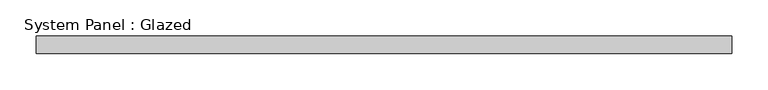
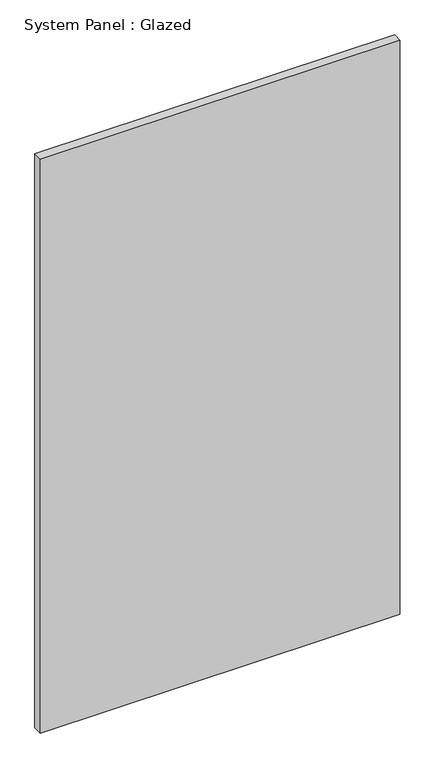
"""IFC4 building model written with IfcOpenShell, lengths in millimetres: plate geometry, System Panel : Glazed."""

from ifc_helpers import new_model, si_unit, origin, origin_with_axes, place, context, project, spatial, polyline, outline, extrude, source, transform, mapped, element, save


def system_panel_glazed_00787f15(model_context):
    return source(origin(), model_context, "Body", "SweptSolid", [
        extrude(outline(polyline([(483.3333333, 24.5), (-483.3333333, 24.5), (-483.3333333, 49.5), (483.3333333, 49.5), (483.3333333, 24.5)])), origin_with_axes(), (0.0, 0.0, 1.0), 1630.5994295),
    ])


if __name__ == "__main__":
    model = new_model("IFC4")
    model_context = context("Model", 3, world=origin())
    ifc_project = project(units=[si_unit("LENGTHUNIT", "METRE", prefix="MILLI")], contexts=[model_context])
    site = spatial("IfcSite", under=ifc_project)
    building = spatial("IfcBuilding", under=site)
    placement = place(None, origin())
    system_panel_glazed_shape = system_panel_glazed_00787f15(model_context)
    element("IfcPlate", 1, ObjectType="System Panel : Glazed", at=placement, inside=building, context=model_context, shape_type="MappedRepresentation", body=[
        mapped(system_panel_glazed_shape, transform((0.0, 0.0, 0.0), x_axis=(1.0, 0.0, 0.0), y_axis=(0.0, 1.0, 0.0), z_axis=(0.0, 0.0, 1.0))),
    ])
    save(model, "model.ifc")
